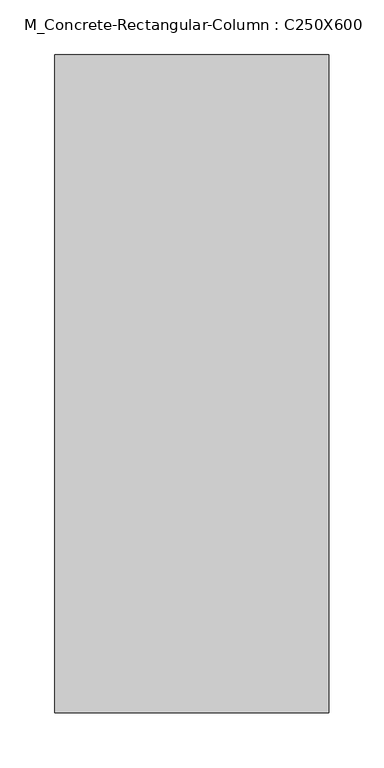
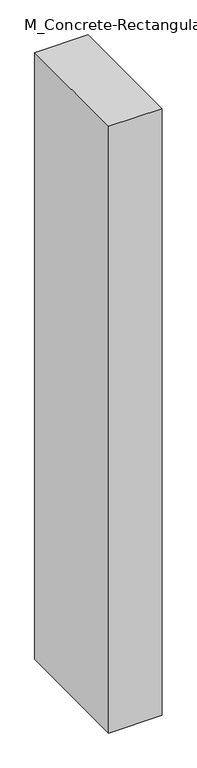
"""IFC4 building model written with IfcOpenShell, lengths in millimetres: column geometry, M_Concrete-Rectangular-Column : C250X600."""

from ifc_helpers import new_model, si_unit, origin, origin_with_axes, place, context, project, spatial, polyline, outline, extrude, source, transform, mapped, element, save


def m_concrete_rectangular_column_c250x600_96688bfd(model_context):
    return source(origin(), model_context, "Body", "SweptSolid", [
        extrude(outline(polyline([(125.0, 300.0), (125.0, -300.0), (-125.0, -300.0), (-125.0, 300.0), (125.0, 300.0)])), origin_with_axes(), (0.0, 0.0, 1.0), 3000.0),
    ])


if __name__ == "__main__":
    model = new_model("IFC4")
    model_context = context("Model", 3, world=origin())
    ifc_project = project(units=[si_unit("LENGTHUNIT", "METRE", prefix="MILLI")], contexts=[model_context])
    site = spatial("IfcSite", under=ifc_project)
    building = spatial("IfcBuilding", under=site)
    placement = place(None, origin())
    m_concrete_rectangular_column_c250x600_shape = m_concrete_rectangular_column_c250x600_96688bfd(model_context)
    element("IfcColumn", 1, ObjectType="M_Concrete-Rectangular-Column : C250X600", at=placement, inside=building, context=model_context, shape_type="MappedRepresentation", body=[
        mapped(m_concrete_rectangular_column_c250x600_shape, transform((0.0, 0.0, 0.0), x_axis=(1.0, 0.0, 0.0), y_axis=(0.0, 1.0, 0.0), z_axis=(0.0, 0.0, 1.0))),
    ])
    save(model, "model.ifc")
